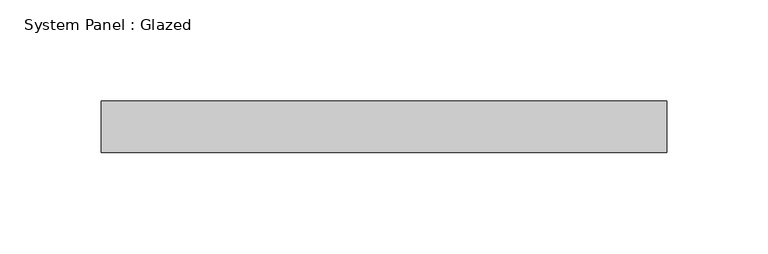
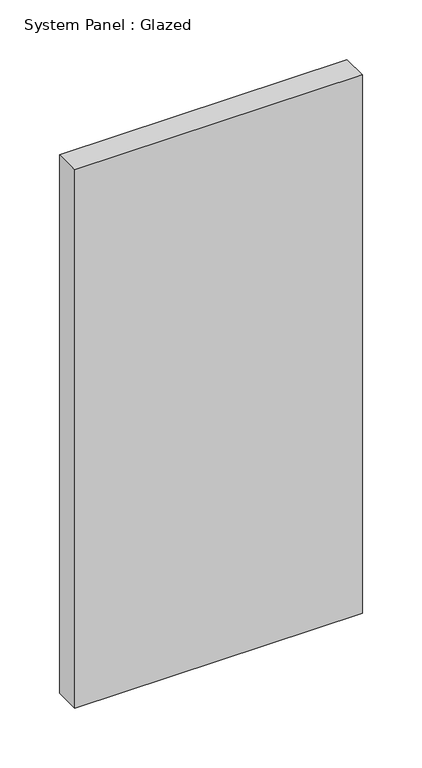
"""IFC4 building model written with IfcOpenShell, lengths in millimetres: plate geometry, System Panel : Glazed."""

import ifcopenshell
import ifcopenshell.guid

model = None  # the IFC model being written
_history = None  # IfcOwnerHistory: only IFC2X3 demands one
_inside = {}  # id of a spatial element -> (the spatial element, [elements in it])
_under = {}  # id of a project, library or spatial element -> (it, [spatial elements below it])
_declared = {}  # id of a project -> (the project, [libraries it declares])
_typed = {}  # id of a type object -> (the type object, [elements of that type])
_made_of = {}  # id of a material, layer set ... -> (it, [elements and type objects made of it])


def new_model(schema):
    """Start an empty IFC model of exactly this schema.

    Asked for "IFC4X3", IfcOpenShell would pick the latest addendum, in which some entities
    have other attributes; the version numbers below select the first issue.
    IFC2X3 requires an IfcOwnerHistory on every rooted entity: one is made here for all.
    """
    global model, _history
    if schema == "IFC4X3":
        model = ifcopenshell.file(schema_version=(4, 3, 0, 0))
    else:
        model = ifcopenshell.file(schema=schema)
    _inside.clear()
    _under.clear()
    _declared.clear()
    _typed.clear()
    _made_of.clear()
    _history = None
    if model.schema == "IFC2X3":
        org = make("IfcOrganization", Name="unknown")
        user = make(
            "IfcPersonAndOrganization",
            ThePerson=make("IfcPerson", FamilyName="unknown"),
            TheOrganization=org,
        )
        app = make(
            "IfcApplication",
            ApplicationDeveloper=org,
            Version="unknown",
            ApplicationFullName="unknown",
            ApplicationIdentifier="unknown",
        )
        _history = make(
            "IfcOwnerHistory",
            OwningUser=user,
            OwningApplication=app,
            ChangeAction="ADDED",
            CreationDate=0,
        )
    return model


def make(cls, **values):
    """One entity of the class cls with the attributes given. An attribute that is None is left unset."""
    return model.create_entity(
        cls, **{name: value for name, value in values.items() if value is not None}
    )


def rooted(cls, **values):
    """An entity with a GlobalId (a new one), such as an element, a storey or a relation."""
    return make(cls, GlobalId=ifcopenshell.guid.new(), OwnerHistory=_history, **values)


def si_unit(unit_type, name, prefix=None):
    """IfcSIUnit, for example si_unit("LENGTHUNIT", "METRE", prefix="MILLI")."""
    return make("IfcSIUnit", UnitType=unit_type, Prefix=prefix, Name=name)


def assignment(units):
    """IfcUnitAssignment: the units of a project."""
    return None if units is None else make("IfcUnitAssignment", Units=units)


def point(xyz):
    """IfcCartesianPoint."""
    return None if xyz is None else make("IfcCartesianPoint", Coordinates=xyz)


def direction(xyz):
    """IfcDirection."""
    return None if xyz is None else make("IfcDirection", DirectionRatios=xyz)


def frame(location, z_axis=None, x_axis=None):
    """IfcAxis2Placement3D, a coordinate frame: its origin and axes. An axis left out is left unset."""
    return make(
        "IfcAxis2Placement3D",
        Location=point(location),
        Axis=direction(z_axis),
        RefDirection=direction(x_axis),
    )


def origin():
    """The frame at (0, 0, 0) with its axes left unset."""
    return frame((0.0, 0.0, 0.0))


def origin_with_axes():
    """The frame at (0, 0, 0) with the z axis (0, 0, 1) and the x axis (1, 0, 0) written out."""
    return frame((0.0, 0.0, 0.0), z_axis=(0.0, 0.0, 1.0), x_axis=(1.0, 0.0, 0.0))


def place(relative_to, where):
    """IfcLocalPlacement: puts the frame where relative to a parent placement (None: the world)."""
    return make(
        "IfcLocalPlacement", PlacementRelTo=relative_to, RelativePlacement=where
    )


def context(
    kind, dimensions, precision=None, world=None, true_north=None, identifier=None
):
    """IfcGeometricRepresentationContext, for example the 3D "Model" context."""
    return make(
        "IfcGeometricRepresentationContext",
        ContextIdentifier=identifier,
        ContextType=kind,
        CoordinateSpaceDimension=dimensions,
        Precision=precision,
        WorldCoordinateSystem=world,
        TrueNorth=true_north,
    )


def project(units=None, contexts=None):
    """IfcProject with its units and contexts."""
    return rooted(
        "IfcProject",
        Name="project",
        RepresentationContexts=contexts,
        UnitsInContext=assignment(units),
    )


def spatial(cls, under=None, at=None, **own):
    """A site, building, storey or space (cls), placed at a placement, below another one or the project."""
    s = rooted(cls, ObjectPlacement=at, **own)
    if under is not None:
        _under.setdefault(under.id(), (under, []))[1].append(s)
    return s


def polyline(points):
    """IfcPolyline through the points."""
    return make("IfcPolyline", Points=[point(p) for p in points])


def outline(outer, holes=None, kind="AREA"):
    """IfcArbitraryClosedProfileDef: a profile drawn as a closed curve; with holes, ...WithVoids."""
    if holes is None:
        return make("IfcArbitraryClosedProfileDef", ProfileType=kind, OuterCurve=outer)
    return make(
        "IfcArbitraryProfileDefWithVoids",
        ProfileType=kind,
        OuterCurve=outer,
        InnerCurves=holes,
    )


def extrude(swept, where, along, depth):
    """IfcExtrudedAreaSolid: the profile swept, set in the frame where, extruded along a direction by depth."""
    return make(
        "IfcExtrudedAreaSolid",
        SweptArea=swept,
        Position=where,
        ExtrudedDirection=direction(along),
        Depth=depth,
    )


def shape(context_of_items, identifier, shape_type, items):
    """IfcShapeRepresentation: the items that make up one representation, for example the "Body"."""
    return make(
        "IfcShapeRepresentation",
        ContextOfItems=context_of_items,
        RepresentationIdentifier=identifier,
        RepresentationType=shape_type,
        Items=items,
    )


def source(mapping_origin, context_of_items, identifier, shape_type, items):
    """IfcRepresentationMap: a shape defined once, which mapped items show again and again."""
    return make(
        "IfcRepresentationMap",
        MappingOrigin=mapping_origin,
        MappedRepresentation=shape(context_of_items, identifier, shape_type, items),
    )


def transform(
    local_origin,
    x_axis=None,
    y_axis=None,
    z_axis=None,
    scale=None,
    scale2=None,
    scale3=None,
    uniform=True,
):
    """IfcCartesianTransformationOperator3D, or its non-uniform kind. x_axis, y_axis, z_axis: its Axis1, 2, 3."""
    if uniform:
        return make(
            "IfcCartesianTransformationOperator3D",
            Axis1=direction(x_axis),
            Axis2=direction(y_axis),
            LocalOrigin=point(local_origin),
            Scale=scale,
            Axis3=direction(z_axis),
        )
    return make(
        "IfcCartesianTransformationOperator3DnonUniform",
        Axis1=direction(x_axis),
        Axis2=direction(y_axis),
        LocalOrigin=point(local_origin),
        Scale=scale,
        Axis3=direction(z_axis),
        Scale2=scale2,
        Scale3=scale3,
    )


def mapped(mapping_source, mapping_target):
    """IfcMappedItem: shows the shape of a source again, moved by a transform."""
    return make(
        "IfcMappedItem", MappingSource=mapping_source, MappingTarget=mapping_target
    )


def made_of(thing, what):
    """Note that an element or type object is made of a material, layer set ...; save() writes the relation."""
    if what is not None:
        _made_of.setdefault(what.id(), (what, []))[1].append(thing)
    return thing


def element(
    cls,
    number,
    at=None,
    inside=None,
    cuts=None,
    type_object=None,
    material=None,
    context=None,
    identifier="Body",
    shape_type=None,
    held_by="IfcProductDefinitionShape",
    body=None,
    shapes=None,
    **own,
):
    """One element of the class cls, such as IfcWall. Its Tag is "e" and its number.

    at: its placement. inside: the storey or other place that contains it. cuts: it is an
    opening in that element (IfcRelVoidsElement). A single representation is given by context,
    identifier, shape_type and body (its items); several are given by shapes. held_by: the class
    of the entity that holds the representations. save() writes the other relations.
    """
    e = rooted(cls, Tag="e%d" % number, ObjectPlacement=at, **own)
    if body is not None:
        shapes = [shape(context, identifier, shape_type, body)]
    if shapes is not None:
        e.Representation = make(held_by, Representations=shapes)
    if inside is not None:
        _inside.setdefault(inside.id(), (inside, []))[1].append(e)
    if cuts is not None:
        rooted(
            "IfcRelVoidsElement", RelatingBuildingElement=cuts, RelatedOpeningElement=e
        )
    if type_object is not None:
        _typed.setdefault(type_object.id(), (type_object, []))[1].append(e)
    return made_of(e, material)


def aggregate(whole, parts):
    """IfcRelAggregates: a whole, such as a stair, and the parts it consists of."""
    return rooted("IfcRelAggregates", RelatingObject=whole, RelatedObjects=parts)


def save(model, path):
    """Write the relations noted so far, then the file.

    IfcRelAggregates (storeys below a building ...), IfcRelContainedInSpatialStructure (elements
    in a storey), IfcRelDefinesByType, IfcRelAssociatesMaterial and IfcRelDeclares: one each for
    every whole, place, type object, material and project.
    """
    for whole, parts in _under.values():
        aggregate(whole, parts)
    for where, things in _inside.values():
        rooted(
            "IfcRelContainedInSpatialStructure",
            RelatedElements=things,
            RelatingStructure=where,
        )
    for kind, things in _typed.values():
        rooted("IfcRelDefinesByType", RelatedObjects=things, RelatingType=kind)
    for what, things in _made_of.values():
        rooted("IfcRelAssociatesMaterial", RelatedObjects=things, RelatingMaterial=what)
    for by, libraries in _declared.values():
        rooted("IfcRelDeclares", RelatingContext=by, RelatedDefinitions=libraries)
    model.write(path)


def system_panel_glazed_2a33a29f(model_context):
    return source(origin(), model_context, "Body", "SweptSolid", [
        extrude(outline(polyline([(139.7, -44.45), (-139.7, -44.45), (-139.7, -19.05), (139.7, -19.05), (139.7, -44.45)])), origin_with_axes(), (0.0, 0.0, 1.0), 552.45),
    ])


if __name__ == "__main__":
    model = new_model("IFC4")
    model_context = context("Model", 3, world=origin())
    ifc_project = project(units=[si_unit("LENGTHUNIT", "METRE", prefix="MILLI")], contexts=[model_context])
    site = spatial("IfcSite", under=ifc_project)
    building = spatial("IfcBuilding", under=site)
    placement = place(None, origin())
    system_panel_glazed_shape = system_panel_glazed_2a33a29f(model_context)
    element("IfcPlate", 1, ObjectType="System Panel : Glazed", at=placement, inside=building, context=model_context, shape_type="MappedRepresentation", body=[
        mapped(system_panel_glazed_shape, transform((0.0, 0.0, 0.0), x_axis=(1.0, 0.0, 0.0), y_axis=(0.0, 1.0, 0.0), z_axis=(0.0, 0.0, 1.0))),
    ])
    save(model, "model.ifc")
